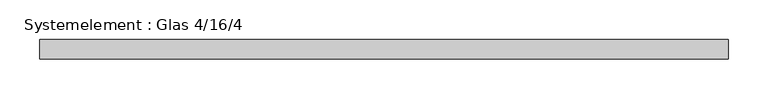
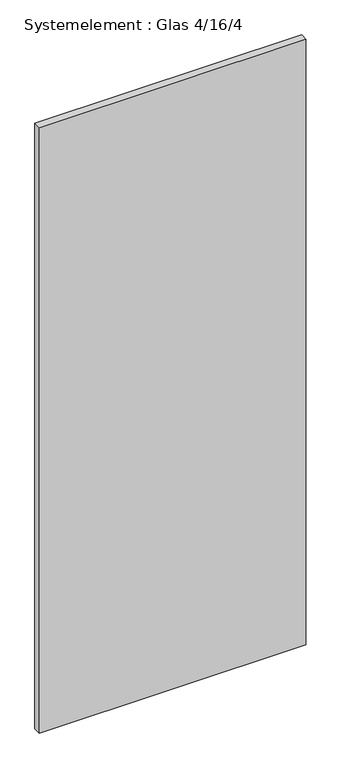
"""IFC4 building model written with IfcOpenShell, lengths in millimetres: plate geometry, Systemelement : Glas 4/16/4."""

from ifc_helpers import new_model, si_unit, origin, origin_with_axes, place, context, project, spatial, polyline, outline, extrude, source, transform, mapped, element, save


def systemelement_glas_4_16_4_da4dac48(model_context):
    return source(origin(), model_context, "Body", "SweptSolid", [
        extrude(outline(polyline([(431.2499999, -12.0), (-431.2499999, -12.0), (-431.2499999, 12.0), (431.2499999, 12.0), (431.2499999, -12.0)])), origin_with_axes(), (0.0, 0.0, 1.0), 2070.0),
    ])


if __name__ == "__main__":
    model = new_model("IFC4")
    model_context = context("Model", 3, world=origin())
    ifc_project = project(units=[si_unit("LENGTHUNIT", "METRE", prefix="MILLI")], contexts=[model_context])
    site = spatial("IfcSite", under=ifc_project)
    building = spatial("IfcBuilding", under=site)
    placement = place(None, origin())
    systemelement_glas_4_16_4_shape = systemelement_glas_4_16_4_da4dac48(model_context)
    element("IfcPlate", 1, ObjectType="Systemelement : Glas 4/16/4", at=placement, inside=building, context=model_context, shape_type="MappedRepresentation", body=[
        mapped(systemelement_glas_4_16_4_shape, transform((0.0, 0.0, 0.0), x_axis=(1.0, 0.0, 0.0), y_axis=(0.0, 1.0, 0.0), z_axis=(0.0, 0.0, 1.0))),
    ])
    save(model, "model.ifc")
